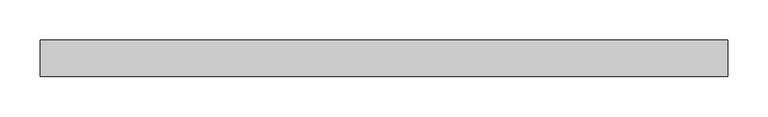
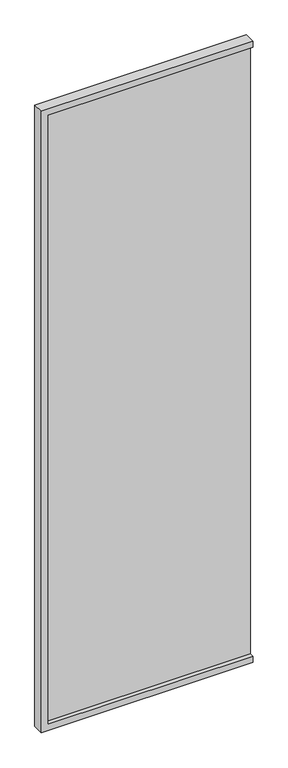
"""IFC4 building model written with IfcOpenShell, lengths in millimetres: plate geometry."""

from ifc_helpers import new_model, si_unit, frame, origin, place, context, project, spatial, polyline, outline, extrude, faceted_brep, source, transform, mapped, element, save


def plate_0858b29b(model_context):
    return source(origin(), model_context, "Body", "SolidModel", [
        extrude(outline(polyline([(426.5, 4.0), (426.5, -4.0), (-410.5, -4.0), (-410.5, 4.0), (426.5, 4.0)])), frame((0.0, 0.0, 16.0), z_axis=(0.0, 0.0, 1.0), x_axis=(1.0, 0.0, 0.0)), (0.0, 0.0, 1.0), 2614.0),
        faceted_brep([(426.5, 22.5, 0.0), (426.5, 22.5, 26.0), (426.5, 4.0, 26.0), (426.5, 4.0, 16.0), (426.5, -4.0, 16.0), (426.5, -4.0, 26.0), (426.5, -22.5, 26.0), (426.5, -22.5, 0.0), (-426.5, 22.5, 0.0), (-426.5, 22.5, 2646.0), (426.5, 22.5, 2646.0), (426.5, 22.5, 2620.0), (-400.5, 22.5, 2620.0), (-400.5, 22.5, 26.0), (-400.5, 4.0, 26.0), (-400.5, 4.0, 2620.0), (426.5, 4.0, 2620.0), (426.5, 4.0, 2630.0), (-410.5, 4.0, 2630.0), (-410.5, 4.0, 16.0), (-410.5, -4.0, 16.0), (-410.5, -4.0, 2630.0), (426.5, -4.0, 2630.0), (426.5, -4.0, 2620.0), (-400.5, -4.0, 2620.0), (-400.5, -4.0, 26.0), (-400.5, -22.5, 26.0), (-400.5, -22.5, 2620.0), (426.5, -22.5, 2620.0), (426.5, -22.5, 2646.0), (-426.5, -22.5, 2646.0), (-426.5, -22.5, 0.0)], [[[0, 1, 2, 3, 4, 5, 6, 7]], [[1, 0, 8, 9, 10, 11, 12, 13]], [[2, 1, 13, 14]], [[3, 2, 14, 15, 16, 17, 18, 19]], [[4, 3, 19, 20]], [[5, 4, 20, 21, 22, 23, 24, 25]], [[6, 5, 25, 26]], [[7, 6, 26, 27, 28, 29, 30, 31]], [[0, 7, 31, 8]], [[14, 13, 12, 15]], [[20, 19, 18, 21]], [[26, 25, 24, 27]], [[8, 31, 30, 9]], [[10, 29, 28, 23, 22, 17, 16, 11]], [[15, 12, 11, 16]], [[21, 18, 17, 22]], [[27, 24, 23, 28]], [[9, 30, 29, 10]]]),
    ])


if __name__ == "__main__":
    model = new_model("IFC4")
    model_context = context("Model", 3, world=origin())
    ifc_project = project(units=[si_unit("LENGTHUNIT", "METRE", prefix="MILLI")], contexts=[model_context])
    site = spatial("IfcSite", under=ifc_project)
    building = spatial("IfcBuilding", under=site)
    placement = place(None, origin())
    plate_shape = plate_0858b29b(model_context)
    element("IfcPlate", 1, at=placement, inside=building, context=model_context, shape_type="MappedRepresentation", body=[
        mapped(plate_shape, transform((0.0, 0.0, 0.0), x_axis=(1.0, 0.0, 0.0), y_axis=(0.0, 1.0, 0.0), z_axis=(0.0, 0.0, 1.0))),
    ])
    save(model, "model.ifc")
